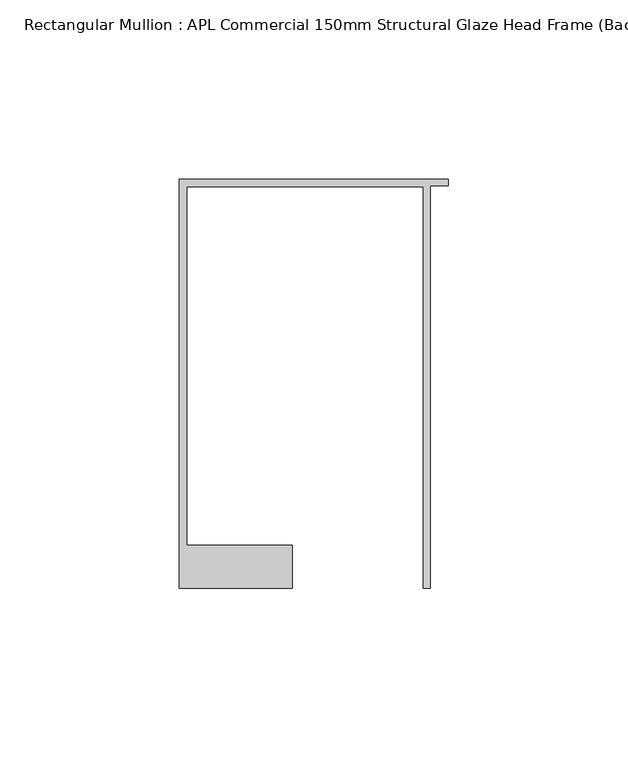
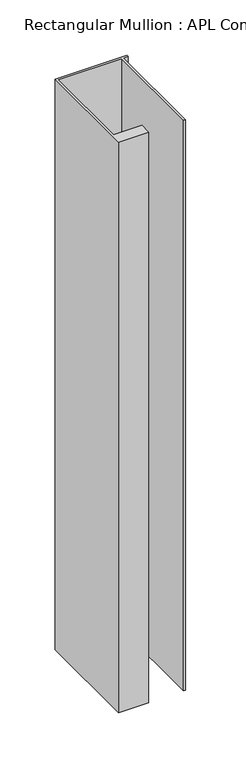
"""IFC4 building model written with IfcOpenShell, lengths in millimetres: member geometry, Rectangular Mullion : APL Commercial 150mm Structural Glaze Head Frame (Back)."""

from ifc_helpers import new_model, si_unit, frame, origin, place, context, project, spatial, polyline, outline, extrude, source, transform, mapped, element, save


def rectangular_mullion_apl_commercial_150mm_structural_glaze_5262a18a(model_context):
    return source(origin(), model_context, "Body", "SweptSolid", [
        extrude(outline(polyline([(-75.0, 128.9993063), (0.0, 128.9993063), (0.0, 127.1993063), (-5.0, 127.1993063), (-5.0, 14.9998342), (-7.0, 14.9998342), (-7.0, 126.9993063), (-73.0, 126.9993063), (-73.0, 26.9997514), (-43.5000151, 26.9997514), (-43.5000151, 14.9998342), (-75.0, 14.9998342), (-75.0, 128.9993063)])), frame((0.0, 0.0, -628.0250341), z_axis=(0.0, 0.0, 1.0), x_axis=(1.0, 0.0, 0.0)), (0.0, 0.0, 1.0), 628.0250341),
    ])


if __name__ == "__main__":
    model = new_model("IFC4")
    model_context = context("Model", 3, world=origin())
    ifc_project = project(units=[si_unit("LENGTHUNIT", "METRE", prefix="MILLI")], contexts=[model_context])
    site = spatial("IfcSite", under=ifc_project)
    building = spatial("IfcBuilding", under=site)
    placement = place(None, origin())
    rectangular_mullion_apl_commercial_150mm_structural_glaze_shape = rectangular_mullion_apl_commercial_150mm_structural_glaze_5262a18a(model_context)
    element("IfcMember", 1, ObjectType="Rectangular Mullion : APL Commercial 150mm Structural Glaze Head Frame (Back)", at=placement, inside=building, context=model_context, shape_type="MappedRepresentation", body=[
        mapped(rectangular_mullion_apl_commercial_150mm_structural_glaze_shape, transform((0.0, 0.0, 0.0), x_axis=(1.0, 0.0, 0.0), y_axis=(0.0, 1.0, 0.0), z_axis=(0.0, 0.0, 1.0))),
    ])
    save(model, "model.ifc")
